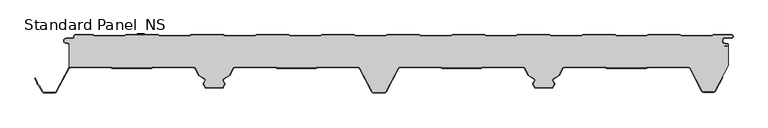
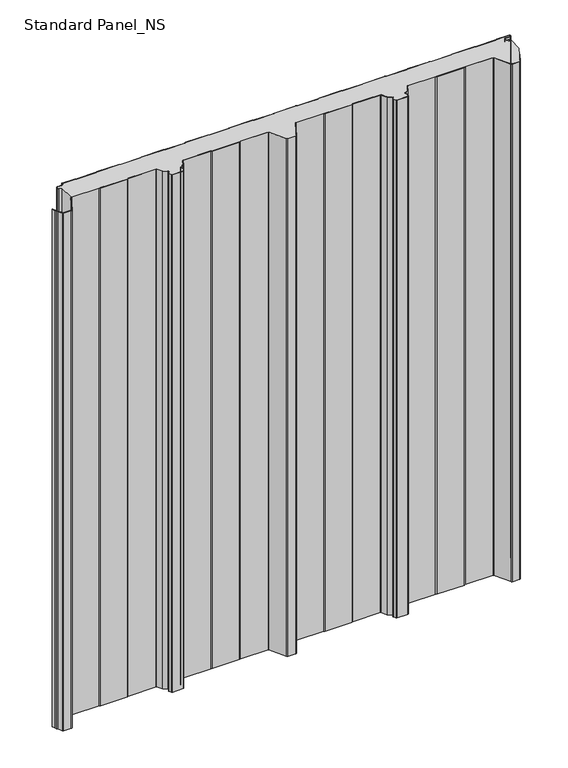
"""IFC4 building model written with IfcOpenShell, lengths in millimetres: proxy geometry, Standard Panel_NS."""

from ifc_helpers import new_model, si_unit, point, frame_2d, origin, origin_with_axes, place, context, project, spatial, polyline, circle_curve, trimmed, segment, composite_curve, outline, extrude, source, transform, mapped, element, save


def standard_panel_ns_c9450f6a(model_context):
    return source(origin(), model_context, "Body", "SweptSolid", [
        extrude(outline(composite_curve([segment(trimmed(circle_curve(frame_2d((-467.4564897, -51.75)), 2.55), [point((-467.4564897, -49.2))], [point((-468.8443846, -49.6107833))], True, "CARTESIAN"), True, "CONTINUOUS"), segment(polyline([(-468.8443846, -49.6107833), (-468.8443846, -13.0699171), (-474.2876002, -11.8132517)]), True, "CONTINUOUS"), segment(trimmed(circle_curve(frame_2d((-473.6464897, -9.036297)), 2.85), [point((-474.2876002, -11.8132517))], [point((-473.6464897, -6.186297))], False, "CARTESIAN"), True, "CONTINUOUS"), segment(polyline([(-473.6464897, -6.186297), (-463.8464897, -6.186297)]), True, "CONTINUOUS"), segment(trimmed(circle_curve(frame_2d((-463.8464897, -3.436297)), 2.75), [point((-463.8464897, -6.186297))], [point((-461.0964897, -3.436297))], True, "CARTESIAN"), True, "CONTINUOUS"), segment(polyline([(-461.0964897, -3.436297), (-461.0964897, -2.036297)]), True, "CONTINUOUS"), segment(trimmed(circle_curve(frame_2d((-459.8464897, -2.036297)), 1.25), [point((-461.0964897, -2.036297))], [point((-459.8464897, -0.786297))], False, "CARTESIAN"), True, "CONTINUOUS"), segment(polyline([(-459.8464897, -0.786297), (-432.8331943, -0.786297), (-431.1011435, -1.786297), (-384.6771824, -1.786297), (-382.902681, -0.786297), (-333.8331943, -0.786297), (-332.1011435, -1.8), (-285.6365264, -1.8), (-283.9044756, -0.8), (-234.8331943, -0.8), (-233.1011435, -1.8), (-186.6771824, -1.8), (-184.902681, -0.8), (-135.8331943, -0.8), (-134.1011435, -1.8), (-87.6771824, -1.8), (-85.902681, -0.8), (-36.8331943, -0.8), (-35.1011435, -1.8), (11.3634736, -1.8), (13.0955244, -0.8), (62.1668057, -0.8), (63.8988565, -1.8), (110.3634736, -1.8), (112.0955244, -0.8), (161.1668057, -0.8), (162.8988565, -1.8), (209.3228176, -1.8), (211.097319, -0.8), (260.1668057, -0.8), (261.8988565, -1.8), (308.3634736, -1.8), (310.0955244, -0.8), (359.1668057, -0.8), (360.8988565, -1.8), (407.3634736, -1.8), (409.0955244, -0.8), (458.1668057, -0.8), (459.8988565, -1.8), (506.3634736, -1.8), (508.0955244, -0.8), (535.6535103, -0.8)]), True, "CONTINUOUS"), segment(trimmed(circle_curve(frame_2d((535.6535103, -2.55)), 1.75), [point((535.6535103, -0.8))], [point((535.6535103, -4.3))], False, "CARTESIAN"), True, "CONTINUOUS"), segment(polyline([(535.6535103, -4.3), (526.1535103, -4.3)]), True, "CONTINUOUS"), segment(trimmed(circle_curve(frame_2d((526.1535103, -9.05)), 4.75), [point((526.1535103, -4.3))], [point((525.3286815, -13.7278368))], True, "CARTESIAN"), True, "CONTINUOUS"), segment(polyline([(525.3286815, -13.7278368), (529.6534477, -14.4904098)]), True, "CONTINUOUS"), segment(trimmed(circle_curve(frame_2d((529.5058468, -15.3274964)), 0.85), [point((529.6534477, -14.4904098))], [point((529.6253445, -16.1690547))], False, "CARTESIAN"), True, "CONTINUOUS"), segment(polyline([(529.6253445, -16.1690547), (524.7012285, -16.8682582), (524.8136969, -17.660313), (529.7378129, -16.9611095)]), True, "CONTINUOUS"), segment(trimmed(circle_curve(frame_2d((529.5058468, -15.3274964)), 1.65), [point((529.7378129, -16.9611095))], [point((531.1556156, -15.3551162))], True, "CARTESIAN"), True, "CONTINUOUS"), segment(polyline([(531.1556156, -15.3551162), (531.1556156, -46.7559646), (510.5652518, -85.4808064)]), True, "CONTINUOUS"), segment(trimmed(circle_curve(frame_2d((508.7552093, -84.5183897)), 2.05), [point((510.5652518, -85.4808064))], [point((508.7552093, -86.5683897))], False, "CARTESIAN"), True, "CONTINUOUS"), segment(polyline([(508.7552093, -86.5683897), (493.2446093, -86.5683897)]), True, "CONTINUOUS"), segment(trimmed(circle_curve(frame_2d((493.2446093, -84.5183897)), 2.05), [point((493.2446093, -86.5683897))], [point((491.4348615, -85.4813607))], False, "CARTESIAN"), True, "CONTINUOUS"), segment(polyline([(491.4348615, -85.4813607), (472.9163892, -50.5090325)]), True, "CONTINUOUS"), segment(trimmed(circle_curve(frame_2d((470.7064911, -51.7198823)), 2.5198823), [point((472.9163892, -50.5090325))], [point((470.7064911, -49.2))], True, "CARTESIAN"), True, "CONTINUOUS"), segment(polyline([(470.7064911, -49.2), (409.30759, -49.2), (406.3541332, -50.1683897), (346.5543556, -50.1683897), (343.5388467, -49.2), (281.6583282, -49.2)]), True, "CONTINUOUS"), segment(trimmed(circle_curve(frame_2d((281.4706486, -50.9901889)), 1.8), [point((281.6583282, -49.2))], [point((279.8813514, -50.1451242))], True, "CARTESIAN"), True, "CONTINUOUS"), segment(polyline([(279.8813514, -50.1451242), (273.7569305, -61.6632074), (264.7735386, -67.3508249)]), True, "CONTINUOUS"), segment(trimmed(circle_curve(frame_2d((265.7364071, -68.8716418)), 1.8), [point((264.7735386, -67.3508249))], [point((264.1273846, -69.6785164))], True, "CARTESIAN"), True, "CONTINUOUS"), segment(polyline([(264.1273846, -69.6785164), (266.7244548, -74.8574433), (263.7468294, -80.4573069), (238.2529825, -80.4573069), (235.2699012, -74.8466132), (237.8617103, -69.6784342)]), True, "CONTINUOUS"), segment(trimmed(circle_curve(frame_2d((236.2527038, -68.8715276)), 1.8), [point((237.8617103, -69.6784342))], [point((237.2156025, -67.3507298))], True, "CARTESIAN"), True, "CONTINUOUS"), segment(polyline([(237.2156025, -67.3507298), (228.2489804, -61.6734802), (222.1195681, -50.1454573)]), True, "CONTINUOUS"), segment(trimmed(circle_curve(frame_2d((220.5302541, -50.9904904)), 1.8), [point((222.1195681, -50.1454573))], [point((220.3454724, -49.2))], True, "CARTESIAN"), True, "CONTINUOUS"), segment(polyline([(220.3454724, -49.2), (158.8926889, -49.2), (156.5110491, -50.1683897), (96.7197082, -50.1683897), (94.3380684, -49.2), (32.543497, -49.2)]), True, "CONTINUOUS"), segment(trimmed(circle_curve(frame_2d((32.543497, -51.75)), 2.55), [point((32.543497, -49.2))], [point((30.2919806, -50.5528475))], True, "CARTESIAN"), True, "CONTINUOUS"), segment(polyline([(30.2919806, -50.5528475), (11.188746, -86.4808064)]), True, "CONTINUOUS"), segment(trimmed(circle_curve(frame_2d((9.3787035, -85.5183897)), 2.05), [point((11.188746, -86.4808064))], [point((9.3787035, -87.5683897))], False, "CARTESIAN"), True, "CONTINUOUS"), segment(polyline([(9.3787035, -87.5683897), (-7.3788849, -87.5683897)]), True, "CONTINUOUS"), segment(trimmed(circle_curve(frame_2d((-7.3788849, -85.5183897)), 2.05), [point((-7.3788849, -87.5683897))], [point((-9.1889275, -86.4808064))], False, "CARTESIAN"), True, "CONTINUOUS"), segment(polyline([(-9.1889275, -86.4808064), (-28.292162, -50.5528475)]), True, "CONTINUOUS"), segment(trimmed(circle_curve(frame_2d((-30.5436784, -51.75)), 2.55), [point((-28.292162, -50.5528475))], [point((-30.5436784, -49.2))], True, "CARTESIAN"), True, "CONTINUOUS"), segment(polyline([(-30.5436784, -49.2), (-91.8382499, -49.2), (-94.2198897, -50.1683897), (-154.0112306, -50.1683897), (-156.392871, -49.2), (-218.5304355, -49.2)]), True, "CONTINUOUS"), segment(trimmed(circle_curve(frame_2d((-218.5304355, -50.9997352)), 1.7997352), [point((-218.5304355, -49.2))], [point((-220.1195157, -50.1548264))], True, "CARTESIAN"), True, "CONTINUOUS"), segment(polyline([(-220.1195157, -50.1548264), (-226.2491619, -61.6832892), (-235.2157839, -67.3605387)]), True, "CONTINUOUS"), segment(trimmed(circle_curve(frame_2d((-234.2528851, -68.8813366)), 1.8), [point((-235.2157839, -67.3605387))], [point((-235.8618916, -69.6882431))], True, "CARTESIAN"), True, "CONTINUOUS"), segment(polyline([(-235.8618916, -69.6882431), (-233.2700817, -74.8564238), (-236.2531818, -80.4669529), (-261.74715, -80.4669529), (-264.7246358, -74.8672514), (-262.1275659, -69.6883253)]), True, "CONTINUOUS"), segment(trimmed(circle_curve(frame_2d((-263.7365884, -68.8814507)), 1.8), [point((-262.1275659, -69.6883253))], [point((-262.7737199, -67.3606338))], True, "CARTESIAN"), True, "CONTINUOUS"), segment(polyline([(-262.7737199, -67.3606338), (-271.7571118, -61.6730163), (-277.8815327, -50.1549332)]), True, "CONTINUOUS"), segment(trimmed(circle_curve(frame_2d((-279.4708299, -50.9999978)), 1.8), [point((-277.8815327, -50.1549332))], [point((-279.468044, -49.2))], True, "CARTESIAN"), True, "CONTINUOUS"), segment(polyline([(-279.468044, -49.2), (-341.6073108, -49.2), (-343.9889442, -50.1683897), (-403.7802849, -50.1683897), (-406.1619183, -49.2), (-467.4564897, -49.2)]), True, "CONTINUOUS")], self_intersect=False)), origin_with_axes(), (0.0, 0.0, 1.0), 1219.2),
        extrude(outline(composite_curve([segment(trimmed(circle_curve(frame_2d((535.6535103, -2.55)), 2.55), [point((535.6535103, 0.0))], [point((535.6535103, -5.1))], False, "CARTESIAN"), True, "CONTINUOUS"), segment(polyline([(535.6535103, -5.1), (526.1535103, -5.1)]), True, "CONTINUOUS"), segment(trimmed(circle_curve(frame_2d((526.1535103, -9.05)), 3.95), [point((526.1535103, -5.1))], [point((525.4676, -12.9399906))], True, "CARTESIAN"), True, "CONTINUOUS"), segment(polyline([(525.4676, -12.9399906), (529.7923663, -13.7025636)]), True, "CONTINUOUS"), segment(trimmed(circle_curve(frame_2d((529.5058468, -15.3274964)), 1.65), [point((529.7923663, -13.7025636))], [point((529.7378129, -16.9611095))], False, "CARTESIAN"), True, "CONTINUOUS"), segment(polyline([(529.7378129, -16.9611095), (524.8136969, -17.660313), (524.7012285, -16.8682582), (529.6253445, -16.1690547)]), True, "CONTINUOUS"), segment(trimmed(circle_curve(frame_2d((529.5058468, -15.3274964)), 0.85), [point((529.6253445, -16.1690547))], [point((529.6534477, -14.4904098))], True, "CARTESIAN"), True, "CONTINUOUS"), segment(polyline([(529.6534477, -14.4904098), (525.3286815, -13.7278368)]), True, "CONTINUOUS"), segment(trimmed(circle_curve(frame_2d((526.1535103, -9.05)), 4.75), [point((525.3286815, -13.7278368))], [point((526.1535103, -4.3))], False, "CARTESIAN"), True, "CONTINUOUS"), segment(polyline([(526.1535103, -4.3), (535.6535103, -4.3)]), True, "CONTINUOUS"), segment(trimmed(circle_curve(frame_2d((535.6535103, -2.55)), 1.75), [point((535.6535103, -4.3))], [point((535.6535103, -0.8))], True, "CARTESIAN"), True, "CONTINUOUS"), segment(polyline([(535.6535103, -0.8), (508.0955244, -0.8), (506.3634736, -1.8), (459.8988565, -1.8), (458.1668057, -0.8), (409.0955244, -0.8), (407.3634736, -1.8), (360.8988565, -1.8), (359.1668057, -0.8), (310.0955244, -0.8), (308.3634736, -1.8), (261.8988565, -1.8), (260.1668057, -0.8), (211.097319, -0.8), (209.3228176, -1.8), (162.8988565, -1.8), (161.1668057, -0.8), (112.0955244, -0.8), (110.3634736, -1.8), (63.8988565, -1.8), (62.1668057, -0.8), (13.0955244, -0.8), (11.3634736, -1.8), (-35.1011435, -1.8), (-36.8331943, -0.8), (-85.902681, -0.8), (-87.6771824, -1.8), (-134.1011435, -1.8), (-135.8331943, -0.8), (-184.902681, -0.8), (-186.6771824, -1.8), (-233.1011435, -1.8), (-234.8331943, -0.8), (-283.9044756, -0.8), (-285.6365264, -1.8), (-332.1011435, -1.8), (-333.8331943, -0.786297), (-382.902681, -0.786297), (-384.6771824, -1.786297), (-431.1011435, -1.786297), (-432.8331943, -0.786297), (-459.8464897, -0.786297)]), True, "CONTINUOUS"), segment(trimmed(circle_curve(frame_2d((-459.8464897, -2.036297)), 1.25), [point((-459.8464897, -0.786297))], [point((-461.0964897, -2.036297))], True, "CARTESIAN"), True, "CONTINUOUS"), segment(polyline([(-461.0964897, -2.036297), (-461.0964897, -3.436297)]), True, "CONTINUOUS"), segment(trimmed(circle_curve(frame_2d((-463.8464897, -3.436297)), 2.75), [point((-461.0964897, -3.436297))], [point((-463.8464897, -6.186297))], False, "CARTESIAN"), True, "CONTINUOUS"), segment(polyline([(-463.8464897, -6.186297), (-473.6464897, -6.186297)]), True, "CONTINUOUS"), segment(trimmed(circle_curve(frame_2d((-473.6464897, -9.036297)), 2.85), [point((-473.6464897, -6.186297))], [point((-474.2876002, -11.8132517))], True, "CARTESIAN"), True, "CONTINUOUS"), segment(polyline([(-474.2876002, -11.8132517), (-468.8443846, -13.0699171), (-469.0243454, -13.8494131), (-474.4675611, -12.5927478)]), True, "CONTINUOUS"), segment(trimmed(circle_curve(frame_2d((-473.6464897, -9.036297)), 3.65), [point((-474.4675611, -12.5927478))], [point((-473.6464897, -5.386297))], False, "CARTESIAN"), True, "CONTINUOUS"), segment(polyline([(-473.6464897, -5.386297), (-463.8464897, -5.386297)]), True, "CONTINUOUS"), segment(trimmed(circle_curve(frame_2d((-463.8464897, -3.436297)), 1.95), [point((-463.8464897, -5.386297))], [point((-461.8964897, -3.436297))], True, "CARTESIAN"), True, "CONTINUOUS"), segment(polyline([(-461.8964897, -3.436297), (-461.8964897, -2.036297)]), True, "CONTINUOUS"), segment(trimmed(circle_curve(frame_2d((-459.8464897, -2.036297)), 2.05), [point((-461.8964897, -2.036297))], [point((-459.8464897, 0.013703))], False, "CARTESIAN"), True, "CONTINUOUS"), segment(polyline([(-459.8464897, 0.013703), (-432.618835, 0.013703), (-430.8867842, -0.986297), (-384.8870804, -0.986297), (-383.1125789, 0.013703), (-333.618835, 0.013703), (-331.8867842, -1.0), (-285.8508858, -1.0), (-284.118835, 0.0), (-234.618835, 0.0), (-232.8867842, -1.0), (-186.8870804, -1.0), (-185.1125789, 0.0), (-135.618835, 0.0), (-133.8867842, -1.0), (-87.8870804, -1.0), (-86.1125789, 0.0), (-36.618835, 0.0), (-34.8867842, -1.0), (11.1491142, -1.0), (12.881165, 0.0), (62.381165, 0.0), (64.1132158, -1.0), (110.1491142, -1.0), (111.881165, 0.0), (161.381165, 0.0), (163.1132158, -1.0), (209.1129196, -1.0), (210.8874211, 0.0), (260.381165, 0.0), (262.1132158, -1.0), (308.1491142, -1.0), (309.881165, 0.0), (359.381165, 0.0), (361.1132158, -1.0), (407.1491142, -1.0), (408.881165, 0.0), (458.381165, 0.0), (460.1132158, -1.0), (506.1491142, -1.0), (507.881165, 0.0), (535.6535103, 0.0)]), True, "CONTINUOUS")], self_intersect=False)), origin_with_axes(), (0.0, 0.0, 1.0), 1219.2),
        extrude(outline(composite_curve([segment(trimmed(circle_curve(frame_2d((-467.4564897, -51.75)), 1.75), [point((-467.4564897, -50.0))], [point((-469.001648, -50.9284248))], True, "CARTESIAN"), True, "CONTINUOUS"), segment(polyline([(-469.001648, -50.9284248), (-488.1048826, -86.8563836)]), True, "CONTINUOUS"), segment(trimmed(circle_curve(frame_2d((-490.6212832, -85.5183897)), 2.85), [point((-488.1048826, -86.8563836))], [point((-490.6212832, -88.3683897))], False, "CARTESIAN"), True, "CONTINUOUS"), segment(polyline([(-490.6212832, -88.3683897), (-507.3620907, -88.3683897)]), True, "CONTINUOUS"), segment(trimmed(circle_curve(frame_2d((-507.3620907, -85.5183897)), 2.85), [point((-507.3620907, -88.3683897))], [point((-509.8784914, -86.8563836))], False, "CARTESIAN"), True, "CONTINUOUS"), segment(polyline([(-509.8784914, -86.8563836), (-514.7628407, -77.6702585), (-517.1803883, -75.3708693), (-517.7777505, -72.000038), (-520.8462798, -66.2289737), (-520.1399217, -65.8533964), (-517.0120726, -71.7360251), (-516.4385398, -74.9723908), (-514.1174305, -77.1800551), (-509.1721333, -86.4808064)]), True, "CONTINUOUS"), segment(trimmed(circle_curve(frame_2d((-507.3620907, -85.5183897)), 2.05), [point((-509.1721333, -86.4808064))], [point((-507.3620907, -87.5683897))], True, "CARTESIAN"), True, "CONTINUOUS"), segment(polyline([(-507.3620907, -87.5683897), (-490.6212832, -87.5683897)]), True, "CONTINUOUS"), segment(trimmed(circle_curve(frame_2d((-490.6212832, -85.5183897)), 2.05), [point((-490.6212832, -87.5683897))], [point((-488.8112406, -86.4808064))], True, "CARTESIAN"), True, "CONTINUOUS"), segment(polyline([(-488.8112406, -86.4808064), (-469.7080061, -50.5528475)]), True, "CONTINUOUS"), segment(trimmed(circle_curve(frame_2d((-467.4564897, -51.75)), 2.55), [point((-469.7080061, -50.5528475))], [point((-467.4564897, -49.2))], False, "CARTESIAN"), True, "CONTINUOUS"), segment(polyline([(-467.4564897, -49.2), (-406.1619183, -49.2), (-403.7802849, -50.1683897), (-343.9889442, -50.1683897), (-341.6073108, -49.2), (-279.468044, -49.2)]), True, "CONTINUOUS"), segment(trimmed(circle_curve(frame_2d((-279.4708299, -50.9999978)), 1.8), [point((-279.468044, -49.2))], [point((-277.8815327, -50.1549332))], False, "CARTESIAN"), True, "CONTINUOUS"), segment(polyline([(-277.8815327, -50.1549332), (-271.7571118, -61.6730163), (-262.7737199, -67.3606338)]), True, "CONTINUOUS"), segment(trimmed(circle_curve(frame_2d((-263.7365884, -68.8814507)), 1.8), [point((-262.7737199, -67.3606338))], [point((-262.1275659, -69.6883253))], False, "CARTESIAN"), True, "CONTINUOUS"), segment(polyline([(-262.1275659, -69.6883253), (-264.7246358, -74.8672514), (-261.74715, -80.4669529), (-236.2531818, -80.4669529), (-233.2700817, -74.8564238), (-235.8618916, -69.6882431)]), True, "CONTINUOUS"), segment(trimmed(circle_curve(frame_2d((-234.2528851, -68.8813366)), 1.8), [point((-235.8618916, -69.6882431))], [point((-235.2157839, -67.3605387))], False, "CARTESIAN"), True, "CONTINUOUS"), segment(polyline([(-235.2157839, -67.3605387), (-226.2491619, -61.6832892), (-220.1195157, -50.1548264)]), True, "CONTINUOUS"), segment(trimmed(circle_curve(frame_2d((-218.5304355, -50.9997352)), 1.7997352), [point((-220.1195157, -50.1548264))], [point((-218.5304355, -49.2))], False, "CARTESIAN"), True, "CONTINUOUS"), segment(polyline([(-218.5304355, -49.2), (-156.392871, -49.2), (-154.0112306, -50.1683897), (-94.2198897, -50.1683897), (-91.8382499, -49.2), (-30.5436784, -49.2)]), True, "CONTINUOUS"), segment(trimmed(circle_curve(frame_2d((-30.5436784, -51.75)), 2.55), [point((-30.5436784, -49.2))], [point((-28.292162, -50.5528475))], False, "CARTESIAN"), True, "CONTINUOUS"), segment(polyline([(-28.292162, -50.5528475), (-9.1889275, -86.4808064)]), True, "CONTINUOUS"), segment(trimmed(circle_curve(frame_2d((-7.3788849, -85.5183897)), 2.05), [point((-9.1889275, -86.4808064))], [point((-7.3788849, -87.5683897))], True, "CARTESIAN"), True, "CONTINUOUS"), segment(polyline([(-7.3788849, -87.5683897), (9.3787035, -87.5683897)]), True, "CONTINUOUS"), segment(trimmed(circle_curve(frame_2d((9.3787035, -85.5183897)), 2.05), [point((9.3787035, -87.5683897))], [point((11.188746, -86.4808064))], True, "CARTESIAN"), True, "CONTINUOUS"), segment(polyline([(11.188746, -86.4808064), (30.2919806, -50.5528475)]), True, "CONTINUOUS"), segment(trimmed(circle_curve(frame_2d((32.543497, -51.75)), 2.55), [point((30.2919806, -50.5528475))], [point((32.543497, -49.2))], False, "CARTESIAN"), True, "CONTINUOUS"), segment(polyline([(32.543497, -49.2), (93.8380684, -49.2), (96.2197082, -50.1683897), (156.0110491, -50.1683897), (158.3926889, -49.2), (220.3454724, -49.2)]), True, "CONTINUOUS"), segment(trimmed(circle_curve(frame_2d((220.5302541, -50.9904904)), 1.8), [point((220.3454724, -49.2))], [point((222.1195681, -50.1454573))], False, "CARTESIAN"), True, "CONTINUOUS"), segment(polyline([(222.1195681, -50.1454573), (228.2489804, -61.6734802), (237.2156025, -67.3507298)]), True, "CONTINUOUS"), segment(trimmed(circle_curve(frame_2d((236.2527038, -68.8715276)), 1.8), [point((237.2156025, -67.3507298))], [point((237.8617103, -69.6784342))], False, "CARTESIAN"), True, "CONTINUOUS"), segment(polyline([(237.8617103, -69.6784342), (235.2699012, -74.8466132), (238.2529825, -80.4573069), (263.7468294, -80.4573069), (266.7244548, -74.8574433), (264.1273846, -69.6785164)]), True, "CONTINUOUS"), segment(trimmed(circle_curve(frame_2d((265.7364071, -68.8716418)), 1.8), [point((264.1273846, -69.6785164))], [point((264.7735386, -67.3508249))], False, "CARTESIAN"), True, "CONTINUOUS"), segment(polyline([(264.7735386, -67.3508249), (273.7569305, -61.6632074), (279.8813514, -50.1451242)]), True, "CONTINUOUS"), segment(trimmed(circle_curve(frame_2d((281.4706486, -50.9901889)), 1.8), [point((279.8813514, -50.1451242))], [point((281.6583282, -49.2))], False, "CARTESIAN"), True, "CONTINUOUS"), segment(polyline([(281.6583282, -49.2), (343.440414, -49.2), (346.4559229, -50.1683897), (406.3541332, -50.1683897), (409.30759, -49.2), (470.7064911, -49.2)]), True, "CONTINUOUS"), segment(trimmed(circle_curve(frame_2d((470.7064911, -51.7198823)), 2.5198823), [point((470.7064911, -49.2))], [point((472.9163892, -50.5090325))], False, "CARTESIAN"), True, "CONTINUOUS"), segment(polyline([(472.9163892, -50.5090325), (491.4348615, -85.4813607)]), True, "CONTINUOUS"), segment(trimmed(circle_curve(frame_2d((493.2446093, -84.5183897)), 2.05), [point((491.4348615, -85.4813607))], [point((493.2446093, -86.5683897))], True, "CARTESIAN"), True, "CONTINUOUS"), segment(polyline([(493.2446093, -86.5683897), (508.7552093, -86.5683897)]), True, "CONTINUOUS"), segment(trimmed(circle_curve(frame_2d((508.7552093, -84.5183897)), 2.05), [point((508.7552093, -86.5683897))], [point((510.5652518, -85.4808064))], True, "CARTESIAN"), True, "CONTINUOUS"), segment(polyline([(510.5652518, -85.4808064), (521.5330465, -64.8533847), (522.2394046, -65.2289619), (511.2716099, -85.8563836)]), True, "CONTINUOUS"), segment(trimmed(circle_curve(frame_2d((508.7552093, -84.5183897)), 2.85), [point((511.2716099, -85.8563836))], [point((508.7552093, -87.3683897))], False, "CARTESIAN"), True, "CONTINUOUS"), segment(polyline([(508.7552093, -87.3683897), (493.2446093, -87.3683897)]), True, "CONTINUOUS"), segment(trimmed(circle_curve(frame_2d((493.2446093, -84.5183897)), 2.85), [point((493.2446093, -87.3683897))], [point((490.7282086, -85.8563836))], False, "CARTESIAN"), True, "CONTINUOUS"), segment(polyline([(490.7282086, -85.8563836), (472.2123141, -50.8889236)]), True, "CONTINUOUS"), segment(trimmed(circle_curve(frame_2d((470.7064911, -51.7198823)), 1.7198823), [point((472.2123141, -50.8889236))], [point((470.7064911, -50.0))], True, "CARTESIAN"), True, "CONTINUOUS"), segment(polyline([(470.7064911, -50.0), (409.435396, -50.0), (406.4819392, -50.9683897), (346.3306196, -50.9683897), (343.3151107, -50.0), (281.6103837, -50.0)]), True, "CONTINUOUS"), segment(trimmed(circle_curve(frame_2d((281.4706486, -50.9901889)), 1.0), [point((281.6103837, -50.0))], [point((280.5877057, -50.5207085))], True, "CARTESIAN"), True, "CONTINUOUS"), segment(polyline([(280.5877057, -50.5207085), (274.3638391, -62.2258174), (265.2014801, -68.0267435)]), True, "CONTINUOUS"), segment(trimmed(circle_curve(frame_2d((265.7364071, -68.8716418)), 1.0), [point((265.2014801, -68.0267435))], [point((264.8425057, -69.3199055))], True, "CARTESIAN"), True, "CONTINUOUS"), segment(polyline([(264.8425057, -69.3199055), (267.3932697, -74.4064911)]), True, "CONTINUOUS"), segment(trimmed(circle_curve(frame_2d((266.4993683, -74.8547548)), 1.0), [point((267.3932697, -74.4064911))], [point((267.3823077, -75.3242418))], False, "CARTESIAN"), True, "CONTINUOUS"), segment(polyline([(267.3823077, -75.3242418), (264.6506332, -80.4615583)]), True, "CONTINUOUS"), segment(trimmed(circle_curve(frame_2d((263.3262591, -79.7573465)), 1.4999604), [point((264.6506332, -80.4615583))], [point((263.3262591, -81.2573069))], False, "CARTESIAN"), True, "CONTINUOUS"), segment(polyline([(263.3262591, -81.2573069), (238.673644, -81.2573069)]), True, "CONTINUOUS"), segment(trimmed(circle_curve(frame_2d((238.673644, -79.7572281)), 1.5000788), [point((238.673644, -81.2573069))], [point((237.3491357, -80.4614397))], False, "CARTESIAN"), True, "CONTINUOUS"), segment(polyline([(237.3491357, -80.4614397), (234.6120274, -75.3133815)]), True, "CONTINUOUS"), segment(trimmed(circle_curve(frame_2d((235.4949866, -74.8439317)), 1.0), [point((234.6120274, -75.3133815))], [point((234.6010941, -74.3956503))], False, "CARTESIAN"), True, "CONTINUOUS"), segment(polyline([(234.6010941, -74.3956503), (237.1465963, -69.319809)]), True, "CONTINUOUS"), segment(trimmed(circle_curve(frame_2d((236.2527038, -68.8715276)), 1.0), [point((237.1465963, -69.319809))], [point((236.7876475, -68.0266399))], True, "CARTESIAN"), True, "CONTINUOUS"), segment(polyline([(236.7876475, -68.0266399), (227.6420606, -62.2360781), (221.4132063, -50.5210275)]), True, "CONTINUOUS"), segment(trimmed(circle_curve(frame_2d((220.5302541, -50.9904904)), 1.0), [point((221.4132063, -50.5210275))], [point((220.3926719, -50.0))], True, "CARTESIAN"), True, "CONTINUOUS"), segment(polyline([(220.3926719, -50.0), (158.5491133, -50.0), (156.1674734, -50.9683897), (96.0632839, -50.9683897), (93.6816441, -50.0), (32.543497, -50.0)]), True, "CONTINUOUS"), segment(trimmed(circle_curve(frame_2d((32.543497, -51.75)), 1.75), [point((32.543497, -50.0))], [point((30.9983387, -50.9284248))], True, "CARTESIAN"), True, "CONTINUOUS"), segment(polyline([(30.9983387, -50.9284248), (11.8951041, -86.8563836)]), True, "CONTINUOUS"), segment(trimmed(circle_curve(frame_2d((9.3787035, -85.5183897)), 2.85), [point((11.8951041, -86.8563836))], [point((9.3787035, -88.3683897))], False, "CARTESIAN"), True, "CONTINUOUS"), segment(polyline([(9.3787035, -88.3683897), (-7.3788849, -88.3683897)]), True, "CONTINUOUS"), segment(trimmed(circle_curve(frame_2d((-7.3788849, -85.5183897)), 2.85), [point((-7.3788849, -88.3683897))], [point((-9.8952855, -86.8563836))], False, "CARTESIAN"), True, "CONTINUOUS"), segment(polyline([(-9.8952855, -86.8563836), (-28.9985201, -50.9284248)]), True, "CONTINUOUS"), segment(trimmed(circle_curve(frame_2d((-30.5436784, -51.75)), 1.75), [point((-28.9985201, -50.9284248))], [point((-30.5436784, -50.0))], True, "CARTESIAN"), True, "CONTINUOUS"), segment(polyline([(-30.5436784, -50.0), (-91.6818255, -50.0), (-94.0634654, -50.9683897), (-154.1676549, -50.9683897), (-156.5492953, -49.9999999), (-218.5304355, -49.9999999)]), True, "CONTINUOUS"), segment(trimmed(circle_curve(frame_2d((-218.5304355, -50.9997352)), 0.9997353), [point((-218.5304355, -49.9999999))], [point((-219.413154, -50.5303966))], True, "CARTESIAN"), True, "CONTINUOUS"), segment(polyline([(-219.413154, -50.5303966), (-225.6422421, -62.2458871), (-234.7878289, -68.0364489)]), True, "CONTINUOUS"), segment(trimmed(circle_curve(frame_2d((-234.2528851, -68.8813366)), 1.0), [point((-234.7878289, -68.0364489))], [point((-235.1467776, -69.329618))], True, "CARTESIAN"), True, "CONTINUOUS"), segment(polyline([(-235.1467776, -69.329618), (-232.6012754, -74.4054592)]), True, "CONTINUOUS"), segment(trimmed(circle_curve(frame_2d((-233.4951679, -74.8537406)), 1.0), [point((-232.6012754, -74.4054592))], [point((-232.6122157, -75.3232034))], False, "CARTESIAN"), True, "CONTINUOUS"), segment(polyline([(-232.6122157, -75.3232034), (-235.3493606, -80.4711471)]), True, "CONTINUOUS"), segment(trimmed(circle_curve(frame_2d((-236.6737889, -79.7669529)), 1.5), [point((-235.3493606, -80.4711471))], [point((-236.6737889, -81.2669529))], False, "CARTESIAN"), True, "CONTINUOUS"), segment(polyline([(-236.6737889, -81.2669529), (-261.2993182, -81.2669529)]), True, "CONTINUOUS"), segment(trimmed(circle_curve(frame_2d((-261.3264221, -79.7671978)), 1.5), [point((-261.2993182, -81.2669529))], [point((-262.6508365, -80.4714183))], False, "CARTESIAN"), True, "CONTINUOUS"), segment(polyline([(-262.6508365, -80.4714183), (-265.3824926, -75.3340441)]), True, "CONTINUOUS"), segment(trimmed(circle_curve(frame_2d((-264.4995496, -74.8645637)), 1.0), [point((-265.3824926, -75.3340441))], [point((-265.393451, -74.4163001))], False, "CARTESIAN"), True, "CONTINUOUS"), segment(polyline([(-265.393451, -74.4163001), (-262.842687, -69.3297144)]), True, "CONTINUOUS"), segment(trimmed(circle_curve(frame_2d((-263.7365884, -68.8814507)), 1.0), [point((-262.842687, -69.3297144))], [point((-263.2016615, -68.0365524))], True, "CARTESIAN"), True, "CONTINUOUS"), segment(polyline([(-263.2016615, -68.0365524), (-272.3640204, -62.2356263), (-278.587887, -50.5305175)]), True, "CONTINUOUS"), segment(trimmed(circle_curve(frame_2d((-279.4708299, -50.9999978)), 1.0), [point((-278.587887, -50.5305175))], [point((-279.4687534, -50.0))], True, "CARTESIAN"), True, "CONTINUOUS"), segment(polyline([(-279.4687534, -50.0), (-341.4508861, -50.0), (-343.8325195, -50.9683897), (-403.9367096, -50.9683897), (-406.318343, -50.0), (-467.4564897, -50.0)]), True, "CONTINUOUS")], self_intersect=False)), origin_with_axes(), (0.0, 0.0, 1.0), 1219.2),
    ])


if __name__ == "__main__":
    model = new_model("IFC4")
    model_context = context("Model", 3, world=origin())
    ifc_project = project(units=[si_unit("LENGTHUNIT", "METRE", prefix="MILLI")], contexts=[model_context])
    site = spatial("IfcSite", under=ifc_project)
    building = spatial("IfcBuilding", under=site)
    placement = place(None, origin())
    standard_panel_ns_shape = standard_panel_ns_c9450f6a(model_context)
    element("IfcBuildingElementProxy", 1, Name="Standard Panel_NS", ObjectType="Standard Panel_NS", at=placement, inside=building, context=model_context, shape_type="MappedRepresentation", body=[
        mapped(standard_panel_ns_shape, transform((0.0, 0.0, 0.0), x_axis=(1.0, 0.0, 0.0), y_axis=(0.0, 1.0, 0.0), z_axis=(0.0, 0.0, 1.0))),
    ])
    save(model, "model.ifc")
